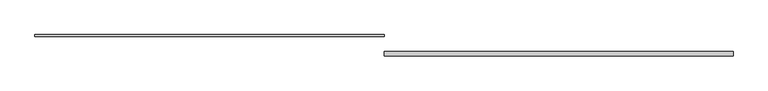
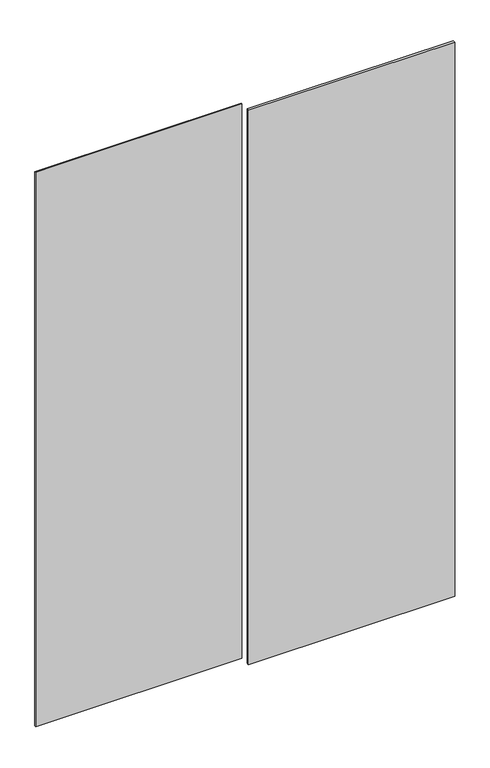
"""IFC4 building model written with IfcOpenShell, lengths in millimetres: plate geometry."""

import ifcopenshell
import ifcopenshell.guid

model = None  # the IFC model being written
_history = None  # IfcOwnerHistory: only IFC2X3 demands one
_inside = {}  # id of a spatial element -> (the spatial element, [elements in it])
_under = {}  # id of a project, library or spatial element -> (it, [spatial elements below it])
_declared = {}  # id of a project -> (the project, [libraries it declares])
_typed = {}  # id of a type object -> (the type object, [elements of that type])
_made_of = {}  # id of a material, layer set ... -> (it, [elements and type objects made of it])


def new_model(schema):
    """Start an empty IFC model of exactly this schema.

    Asked for "IFC4X3", IfcOpenShell would pick the latest addendum, in which some entities
    have other attributes; the version numbers below select the first issue.
    IFC2X3 requires an IfcOwnerHistory on every rooted entity: one is made here for all.
    """
    global model, _history
    if schema == "IFC4X3":
        model = ifcopenshell.file(schema_version=(4, 3, 0, 0))
    else:
        model = ifcopenshell.file(schema=schema)
    _inside.clear()
    _under.clear()
    _declared.clear()
    _typed.clear()
    _made_of.clear()
    _history = None
    if model.schema == "IFC2X3":
        org = make("IfcOrganization", Name="unknown")
        user = make(
            "IfcPersonAndOrganization",
            ThePerson=make("IfcPerson", FamilyName="unknown"),
            TheOrganization=org,
        )
        app = make(
            "IfcApplication",
            ApplicationDeveloper=org,
            Version="unknown",
            ApplicationFullName="unknown",
            ApplicationIdentifier="unknown",
        )
        _history = make(
            "IfcOwnerHistory",
            OwningUser=user,
            OwningApplication=app,
            ChangeAction="ADDED",
            CreationDate=0,
        )
    return model


def make(cls, **values):
    """One entity of the class cls with the attributes given. An attribute that is None is left unset."""
    return model.create_entity(
        cls, **{name: value for name, value in values.items() if value is not None}
    )


def rooted(cls, **values):
    """An entity with a GlobalId (a new one), such as an element, a storey or a relation."""
    return make(cls, GlobalId=ifcopenshell.guid.new(), OwnerHistory=_history, **values)


def si_unit(unit_type, name, prefix=None):
    """IfcSIUnit, for example si_unit("LENGTHUNIT", "METRE", prefix="MILLI")."""
    return make("IfcSIUnit", UnitType=unit_type, Prefix=prefix, Name=name)


def assignment(units):
    """IfcUnitAssignment: the units of a project."""
    return None if units is None else make("IfcUnitAssignment", Units=units)


def point(xyz):
    """IfcCartesianPoint."""
    return None if xyz is None else make("IfcCartesianPoint", Coordinates=xyz)


def direction(xyz):
    """IfcDirection."""
    return None if xyz is None else make("IfcDirection", DirectionRatios=xyz)


def frame(location, z_axis=None, x_axis=None):
    """IfcAxis2Placement3D, a coordinate frame: its origin and axes. An axis left out is left unset."""
    return make(
        "IfcAxis2Placement3D",
        Location=point(location),
        Axis=direction(z_axis),
        RefDirection=direction(x_axis),
    )


def origin():
    """The frame at (0, 0, 0) with its axes left unset."""
    return frame((0.0, 0.0, 0.0))


def origin_with_axes():
    """The frame at (0, 0, 0) with the z axis (0, 0, 1) and the x axis (1, 0, 0) written out."""
    return frame((0.0, 0.0, 0.0), z_axis=(0.0, 0.0, 1.0), x_axis=(1.0, 0.0, 0.0))


def place(relative_to, where):
    """IfcLocalPlacement: puts the frame where relative to a parent placement (None: the world)."""
    return make(
        "IfcLocalPlacement", PlacementRelTo=relative_to, RelativePlacement=where
    )


def context(
    kind, dimensions, precision=None, world=None, true_north=None, identifier=None
):
    """IfcGeometricRepresentationContext, for example the 3D "Model" context."""
    return make(
        "IfcGeometricRepresentationContext",
        ContextIdentifier=identifier,
        ContextType=kind,
        CoordinateSpaceDimension=dimensions,
        Precision=precision,
        WorldCoordinateSystem=world,
        TrueNorth=true_north,
    )


def project(units=None, contexts=None):
    """IfcProject with its units and contexts."""
    return rooted(
        "IfcProject",
        Name="project",
        RepresentationContexts=contexts,
        UnitsInContext=assignment(units),
    )


def spatial(cls, under=None, at=None, **own):
    """A site, building, storey or space (cls), placed at a placement, below another one or the project."""
    s = rooted(cls, ObjectPlacement=at, **own)
    if under is not None:
        _under.setdefault(under.id(), (under, []))[1].append(s)
    return s


def polyline(points):
    """IfcPolyline through the points."""
    return make("IfcPolyline", Points=[point(p) for p in points])


def outline(outer, holes=None, kind="AREA"):
    """IfcArbitraryClosedProfileDef: a profile drawn as a closed curve; with holes, ...WithVoids."""
    if holes is None:
        return make("IfcArbitraryClosedProfileDef", ProfileType=kind, OuterCurve=outer)
    return make(
        "IfcArbitraryProfileDefWithVoids",
        ProfileType=kind,
        OuterCurve=outer,
        InnerCurves=holes,
    )


def extrude(swept, where, along, depth):
    """IfcExtrudedAreaSolid: the profile swept, set in the frame where, extruded along a direction by depth."""
    return make(
        "IfcExtrudedAreaSolid",
        SweptArea=swept,
        Position=where,
        ExtrudedDirection=direction(along),
        Depth=depth,
    )


def shape(context_of_items, identifier, shape_type, items):
    """IfcShapeRepresentation: the items that make up one representation, for example the "Body"."""
    return make(
        "IfcShapeRepresentation",
        ContextOfItems=context_of_items,
        RepresentationIdentifier=identifier,
        RepresentationType=shape_type,
        Items=items,
    )


def source(mapping_origin, context_of_items, identifier, shape_type, items):
    """IfcRepresentationMap: a shape defined once, which mapped items show again and again."""
    return make(
        "IfcRepresentationMap",
        MappingOrigin=mapping_origin,
        MappedRepresentation=shape(context_of_items, identifier, shape_type, items),
    )


def transform(
    local_origin,
    x_axis=None,
    y_axis=None,
    z_axis=None,
    scale=None,
    scale2=None,
    scale3=None,
    uniform=True,
):
    """IfcCartesianTransformationOperator3D, or its non-uniform kind. x_axis, y_axis, z_axis: its Axis1, 2, 3."""
    if uniform:
        return make(
            "IfcCartesianTransformationOperator3D",
            Axis1=direction(x_axis),
            Axis2=direction(y_axis),
            LocalOrigin=point(local_origin),
            Scale=scale,
            Axis3=direction(z_axis),
        )
    return make(
        "IfcCartesianTransformationOperator3DnonUniform",
        Axis1=direction(x_axis),
        Axis2=direction(y_axis),
        LocalOrigin=point(local_origin),
        Scale=scale,
        Axis3=direction(z_axis),
        Scale2=scale2,
        Scale3=scale3,
    )


def mapped(mapping_source, mapping_target):
    """IfcMappedItem: shows the shape of a source again, moved by a transform."""
    return make(
        "IfcMappedItem", MappingSource=mapping_source, MappingTarget=mapping_target
    )


def made_of(thing, what):
    """Note that an element or type object is made of a material, layer set ...; save() writes the relation."""
    if what is not None:
        _made_of.setdefault(what.id(), (what, []))[1].append(thing)
    return thing


def element(
    cls,
    number,
    at=None,
    inside=None,
    cuts=None,
    type_object=None,
    material=None,
    context=None,
    identifier="Body",
    shape_type=None,
    held_by="IfcProductDefinitionShape",
    body=None,
    shapes=None,
    **own,
):
    """One element of the class cls, such as IfcWall. Its Tag is "e" and its number.

    at: its placement. inside: the storey or other place that contains it. cuts: it is an
    opening in that element (IfcRelVoidsElement). A single representation is given by context,
    identifier, shape_type and body (its items); several are given by shapes. held_by: the class
    of the entity that holds the representations. save() writes the other relations.
    """
    e = rooted(cls, Tag="e%d" % number, ObjectPlacement=at, **own)
    if body is not None:
        shapes = [shape(context, identifier, shape_type, body)]
    if shapes is not None:
        e.Representation = make(held_by, Representations=shapes)
    if inside is not None:
        _inside.setdefault(inside.id(), (inside, []))[1].append(e)
    if cuts is not None:
        rooted(
            "IfcRelVoidsElement", RelatingBuildingElement=cuts, RelatedOpeningElement=e
        )
    if type_object is not None:
        _typed.setdefault(type_object.id(), (type_object, []))[1].append(e)
    return made_of(e, material)


def aggregate(whole, parts):
    """IfcRelAggregates: a whole, such as a stair, and the parts it consists of."""
    return rooted("IfcRelAggregates", RelatingObject=whole, RelatedObjects=parts)


def save(model, path):
    """Write the relations noted so far, then the file.

    IfcRelAggregates (storeys below a building ...), IfcRelContainedInSpatialStructure (elements
    in a storey), IfcRelDefinesByType, IfcRelAssociatesMaterial and IfcRelDeclares: one each for
    every whole, place, type object, material and project.
    """
    for whole, parts in _under.values():
        aggregate(whole, parts)
    for where, things in _inside.values():
        rooted(
            "IfcRelContainedInSpatialStructure",
            RelatedElements=things,
            RelatingStructure=where,
        )
    for kind, things in _typed.values():
        rooted("IfcRelDefinesByType", RelatedObjects=things, RelatingType=kind)
    for what, things in _made_of.values():
        rooted("IfcRelAssociatesMaterial", RelatedObjects=things, RelatingMaterial=what)
    for by, libraries in _declared.values():
        rooted("IfcRelDeclares", RelatingContext=by, RelatedDefinitions=libraries)
    model.write(path)


def plate_3005cc38(model_context):
    return source(origin(), model_context, "Body", "SweptSolid", [
        extrude(outline(polyline([(-910.0, 30.0), (0.0, 30.0), (0.0, 25.0), (-910.0, 25.0), (-910.0, 30.0)])), origin_with_axes(), (0.0, 0.0, 1.0), 2584.58125),
        extrude(outline(polyline([(0.0, -14.0), (910.0, -14.0), (910.0, -25.0), (0.0, -25.0), (0.0, -14.0)])), origin_with_axes(), (0.0, 0.0, 1.0), 2584.58125),
    ])


if __name__ == "__main__":
    model = new_model("IFC4")
    model_context = context("Model", 3, world=origin())
    ifc_project = project(units=[si_unit("LENGTHUNIT", "METRE", prefix="MILLI")], contexts=[model_context])
    site = spatial("IfcSite", under=ifc_project)
    building = spatial("IfcBuilding", under=site)
    placement = place(None, origin())
    plate_shape = plate_3005cc38(model_context)
    element("IfcPlate", 1, at=placement, inside=building, context=model_context, shape_type="MappedRepresentation", body=[
        mapped(plate_shape, transform((0.0, 0.0, 0.0), x_axis=(1.0, 0.0, 0.0), y_axis=(0.0, 1.0, 0.0), z_axis=(0.0, 0.0, 1.0))),
    ])
    save(model, "model.ifc")
